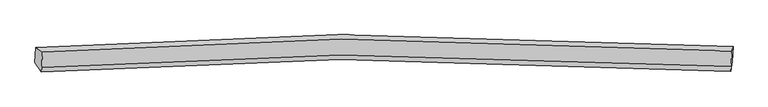
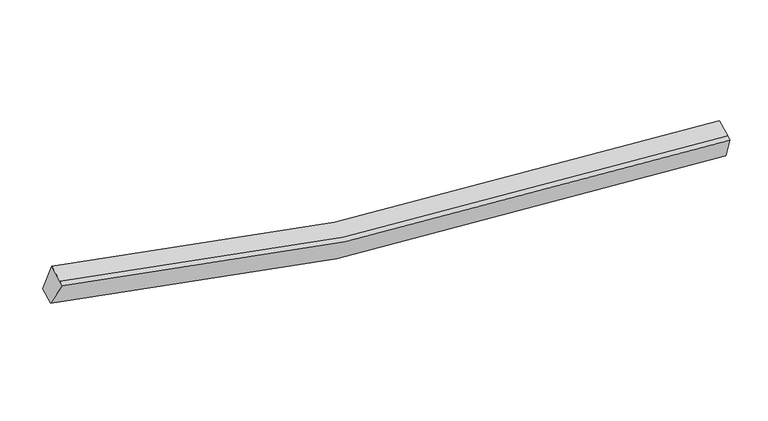
"""IFC4 building model written with IfcOpenShell, lengths in millimetres: proxy geometry."""

from ifc_helpers import new_model, si_unit, frame, origin, place, context, project, spatial, source, transform, mapped, element, save
from ifc_brep_helpers import plane_surface, spline_curve, spline_surface, advanced_brep


def generic_models_c0a30d20(model_context):
    return source(origin(), model_context, "Body", "AdvancedBrep", [
        advanced_brep(
        [(-8800.0319511, -1872.764509, 4238.8970444), (-8612.2519843, -1991.5645691, 4921.131876), (10426.3192448, -1964.646982, 2617.032161), (10459.322777, -1846.6034358, 1910.0699104), (-8633.7192186, -2426.1967622, 4742.7547565), (10404.8520105, -2399.2791751, 2438.6550415), (-8640.1096018, -2555.5784159, 4689.655315), (10398.4616273, -2528.6608288, 2385.5556), (-8820.6985205, -2291.186196, 4067.1728683), (10438.6562076, -2265.0251228, 1738.3457343)],
        [
            (0, 1),
            (1, 2, spline_curve(3, [(-8612.2519843, -1991.5645691, 4921.131876), (-5888.250176341, -1785.41988138, 4124.138812398), (-3137.246993827, -1668.029174471, 3529.000692963), (3191.82456665, -1602.786696894, 2632.991591957), (6787.011795007, -1711.204876032, 2460.096473102), (10426.3192448, -1964.646982, 2617.032161)], [4, 2, 4], [0.0, 27.888850237442, 63.53860309885134])),
            (2, 3),
            (3, 0, spline_curve(3, [(10459.322777, -1846.6034358, 1910.0699104), (6777.863644079, -1590.485534247, 1751.687250131), (3141.00716861, -1480.813490888, 1926.54200108), (-3261.471704902, -1546.355512737, 2832.115354097), (-6044.40013937, -1664.747913285, 3433.536314291), (-8800.0319511, -1872.764509, 4238.8970444)], [4, 2, 4], [0.0, 35.64975286140934, 63.53860309885134])),
            (1, 4),
            (4, 5, spline_curve(3, [(-8633.7192186, -2426.1967622, 4742.7547565), (-5909.717410254, -2220.052075216, 3945.761692801), (-3158.714228225, -2102.661366998, 3350.623573235), (3170.357332703, -2037.418890955, 2454.614472749), (6765.54455994, -2145.837069417, 2281.719353144), (10404.8520105, -2399.2791751, 2438.6550415)], [4, 2, 4], [0.0, 27.72839489210472, 63.173040932764366])),
            (5, 2),
            (4, 6),
            (6, 7, spline_curve(3, [(-8640.1096018, -2555.5784159, 4689.655315), (-5916.107793454, -2349.433728916, 3892.662251301), (-3165.104611525, -2232.043020698, 3297.524131735), (3163.966949403, -2166.800544655, 2401.515031249), (6759.15417674, -2275.218723117, 2228.619911644), (10398.4616273, -2528.6608288, 2385.5556)], [4, 2, 4], [0.0, 27.72839489210473, 63.17304093276439])),
            (7, 5),
            (6, 8),
            (8, 9, spline_curve(3, [(-8820.6985205, -2291.186196, 4067.1728683), (-6065.06670877, -2083.169600285, 3261.812138191), (-3282.138274302, -1964.777199737, 2660.391177997), (3120.34059921, -1899.235177888, 1754.81782498), (6757.197074679, -2008.907221247, 1579.963074031), (10438.6562076, -2265.0251228, 1738.3457343)], [4, 2, 4], [0.0, 27.888850237442018, 63.53860309885138])),
            (9, 7),
            (8, 0),
            (3, 9),
        ],
        [
            spline_surface(3, 3, [[(-8800.0319511, -1872.764509, 4238.8970444), (-6044.400139254, -1664.747913291, 3433.536314174), (-3261.471705135, -1546.355512479, 2832.115353819), (3141.007168908, -1480.813491218, 1926.542001436), (6777.86364418, -1590.485534285, 1751.687250453), (10459.322777, -1846.6034358, 1910.0699104)], [(-8737.438628865, -1912.364529033, 4466.308654951), (-5992.350151643, -1704.97190277, 3663.737147047), (-3220.063468139, -1586.913399725, 3064.410466907), (3157.946301677, -1521.471226553, 2162.025198224), (6780.913027682, -1630.725314744, 1987.823658019), (10448.321599587, -1885.951284505, 2145.723993934)], [(-8674.845306535, -1951.964549067, 4693.720265449), (-5940.300163936, -1745.19589225, 3893.937979866), (-3178.655231211, -1627.471286969, 3296.705579997), (3174.885434377, -1562.128961886, 2397.508395013), (6783.962411222, -1670.965095289, 2223.960065583), (10437.320422213, -1925.299133295, 2381.378077466)], [(-8612.2519843, -1991.5645691, 4921.131876), (-5888.250176325, -1785.419881729, 4124.138812738), (-3137.246994215, -1668.029174216, 3529.000693086), (3191.824567146, -1602.786697221, 2632.991591801), (6787.011794724, -1711.204875748, 2460.096473149), (10426.3192448, -1964.646982, 2617.032161)]], [4, 4], [4, 2, 4], [0.0, 2.3540192313982398], [0.0, 27.888850237442, 63.53860309885134]),
            spline_surface(3, 3, [[(-8612.2519843, -1991.5645691, 4921.131876), (-5888.250176325, -1785.419881729, 4124.138812738), (-3137.246994215, -1668.029174216, 3529.000693086), (3191.824567146, -1602.786697221, 2632.991591801), (6787.011794724, -1711.204875748, 2460.096473149), (10426.3192448, -1964.646982, 2617.032161)], [(-8619.407729061, -2136.441966803, 4861.672836166), (-5895.405921086, -1930.297279433, 4064.679772904), (-3144.402738976, -1812.906571919, 3469.541653251), (3184.668822384, -1747.664094925, 2573.532551967), (6779.856049962, -1856.082273451, 2400.637433315), (10419.163500039, -2109.524379703, 2557.573121166)], [(-8626.563473839, -2281.319364497, 4802.213796334), (-5902.561665863, -2075.174677126, 4005.220733072), (-3151.558483653, -1957.783969712, 3410.08261342), (3177.513077707, -1892.541492718, 2514.073512135), (6772.700305185, -2000.959671144, 2341.178393483), (10412.007755261, -2254.401777397, 2498.114081334)], [(-8633.7192186, -2426.1967622, 4742.7547565), (-5909.717410625, -2220.052074829, 3945.761693238), (-3158.714228415, -2102.661367416, 3350.623573586), (3170.357332946, -2037.418890421, 2454.614472301), (6765.544560424, -2145.837068848, 2281.719353649), (10404.8520105, -2399.2791751, 2438.6550415)]], [4, 4], [4, 2, 4], [0.0, 1.5429869978542758], [0.0, 27.72839489210472, 63.173040932764366]),
            spline_surface(3, 3, [[(-8633.7192186, -2426.1967622, 4742.7547565), (-5909.717410625, -2220.052074829, 3945.761693238), (-3158.714228415, -2102.661367416, 3350.623573586), (3170.357332946, -2037.418890421, 2454.614472301), (6765.544560424, -2145.837068848, 2281.719353649), (10404.8520105, -2399.2791751, 2438.6550415)], [(-8635.849346339, -2469.323980103, 4725.054942672), (-5911.847538364, -2263.179292732, 3928.06187941), (-3160.844356154, -2145.788585318, 3332.923759758), (3168.227205207, -2080.546108324, 2436.914658473), (6763.414432685, -2188.96428675, 2264.019539821), (10402.721882761, -2442.406393003, 2420.955227672)], [(-8637.979474061, -2512.451197997, 4707.355128828), (-5913.977666086, -2306.306510626, 3910.362065566), (-3162.974483976, -2188.915803213, 3315.223945914), (3166.097077385, -2123.673326218, 2419.214844629), (6761.284304963, -2232.091504645, 2246.319725977), (10400.591755039, -2485.533610897, 2403.255413828)], [(-8640.1096018, -2555.5784159, 4689.655315), (-5916.107793825, -2349.433728529, 3892.662251738), (-3165.104611715, -2232.043021116, 3297.524132086), (3163.966949646, -2166.800544121, 2401.515030801), (6759.154177224, -2275.218722548, 2228.619912149), (10398.4616273, -2528.6608288, 2385.5556)]], [4, 4], [4, 2, 4], [0.0, 0.45931758530184263], [0.0, 27.72839489210473, 63.17304093276439]),
            spline_surface(3, 3, [[(-8640.1096018, -2555.5784159, 4689.655315), (-5916.107793825, -2349.433728529, 3892.662251738), (-3165.104611715, -2232.043021116, 3297.524132086), (3163.966949646, -2166.800544121, 2401.515030801), (6759.154177224, -2275.218722548, 2228.619912149), (10398.4616273, -2528.6608288, 2385.5556)], [(-8700.305908002, -2467.447675905, 4482.16116609), (-5965.760765403, -2260.679019088, 3682.378880506), (-3204.115832678, -2142.954413907, 3085.146480638), (3149.42483291, -2077.612088824, 2185.949295654), (6758.501809755, -2186.448222127, 2012.400966224), (10411.859820746, -2440.782260134, 2169.818978107)], [(-8760.502214298, -2379.316935995, 4274.66701721), (-6015.413737076, -2171.924309732, 3472.095509306), (-3243.127053572, -2053.865806687, 2872.768829166), (3134.882716244, -1988.423633515, 1970.383560483), (6757.849442249, -2097.677721705, 1796.182020278), (10425.258014154, -2352.903691466, 1954.082356193)], [(-8820.6985205, -2291.186196, 4067.1728683), (-6065.066708654, -2083.169600291, 3261.812138074), (-3282.138274535, -1964.777199479, 2660.391177719), (3120.340599508, -1899.235178218, 1754.817825336), (6757.19707478, -2008.907221285, 1579.963074353), (10438.6562076, -2265.0251228, 1738.3457343)]], [4, 4], [4, 2, 4], [0.0, 2.2965747513487824], [0.0, 27.888850237442018, 63.53860309885138]),
            spline_surface(3, 3, [[(-8820.6985205, -2291.186196, 4067.1728683), (-6065.066708654, -2083.169600291, 3261.812138074), (-3282.138274535, -1964.777199479, 2660.391177719), (3120.340599508, -1899.235178218, 1754.817825336), (6757.19707478, -2008.907221285, 1579.963074353), (10438.6562076, -2265.0251228, 1738.3457343)], [(-8813.809664033, -2151.712300355, 4124.414260321), (-6058.177852187, -1943.695704646, 3319.053530096), (-3275.249418068, -1825.303303834, 2717.63256974), (3127.229455975, -1759.761282573, 1812.059217357), (6764.085931248, -1869.43332564, 1637.204466375), (10445.545064067, -2125.551227155, 1795.587126321)], [(-8806.920807567, -2012.238404645, 4181.655652379), (-6051.288995721, -1804.221808935, 3376.294922153), (-3268.360561602, -1685.829408123, 2774.873961797), (3134.118312441, -1620.287386862, 1869.300609415), (6770.974787713, -1729.959429929, 1694.445858432), (10452.433920533, -1986.077331445, 1852.828518379)], [(-8800.0319511, -1872.764509, 4238.8970444), (-6044.400139254, -1664.747913291, 3433.536314174), (-3261.471705135, -1546.355512479, 2832.115353819), (3141.007168908, -1480.813491218, 1926.542001436), (6777.86364418, -1590.485534285, 1751.687250453), (10459.322777, -1846.6034358, 1910.0699104)]], [4, 4], [4, 2, 4], [0.0, 1.4854381078841448], [0.0, 28.049305773094908, 63.904165698530555]),
            plane_surface(frame((10430.6899642, -2151.2340923, 2162.7508514), z_axis=(0.9973060353282538, -0.06398192683557646, 0.03587457227963887), x_axis=(0.05742082905479434, 0.37662243714183946, -0.9245855224001733))),
            plane_surface(frame((-8718.2730144, -2177.7734225, 4479.2142759), z_axis=(-0.9650702813947857, -0.05725785036688171, 0.25565776057055845), x_axis=(-0.04564559440410606, -0.9241546693490892, -0.3792817248850404))),
        ],
        [
            (0, [[1, 2, 3, 4]]),
            (1, [[5, 6, 7, -2]]),
            (2, [[8, 9, 10, -6]]),
            (3, [[11, 12, 13, -9]]),
            (4, [[14, -4, 15, -12]]),
            (5, [[-13, -15, -3, -7, -10]]),
            (6, [[-14, -11, -8, -5, -1]]),
        ],
    ),
    ])


if __name__ == "__main__":
    model = new_model("IFC4")
    model_context = context("Model", 3, world=origin())
    ifc_project = project(units=[si_unit("LENGTHUNIT", "METRE", prefix="MILLI")], contexts=[model_context])
    site = spatial("IfcSite", under=ifc_project)
    building = spatial("IfcBuilding", under=site)
    placement = place(None, origin())
    generic_models_shape = generic_models_c0a30d20(model_context)
    element("IfcBuildingElementProxy", 1, Name="Generic Models", at=placement, inside=building, context=model_context, shape_type="MappedRepresentation", body=[
        mapped(generic_models_shape, transform((0.0, 0.0, 0.0), x_axis=(1.0, 0.0, 0.0), y_axis=(0.0, 1.0, 0.0), z_axis=(0.0, 0.0, 1.0))),
    ])
    save(model, "model.ifc")
